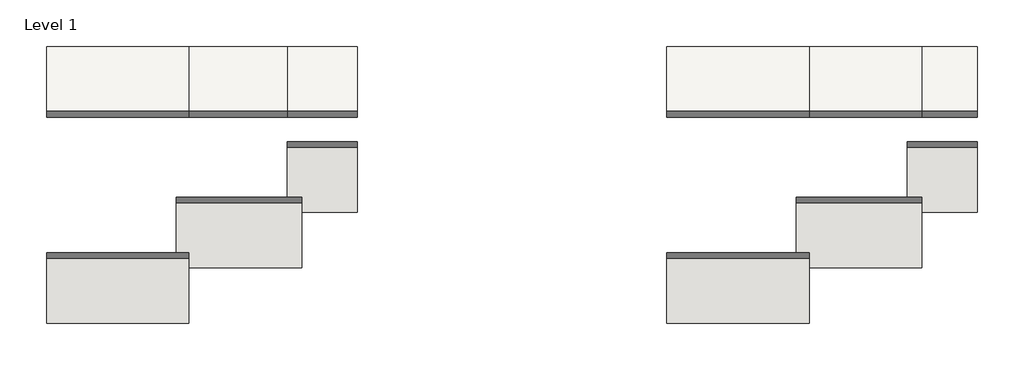
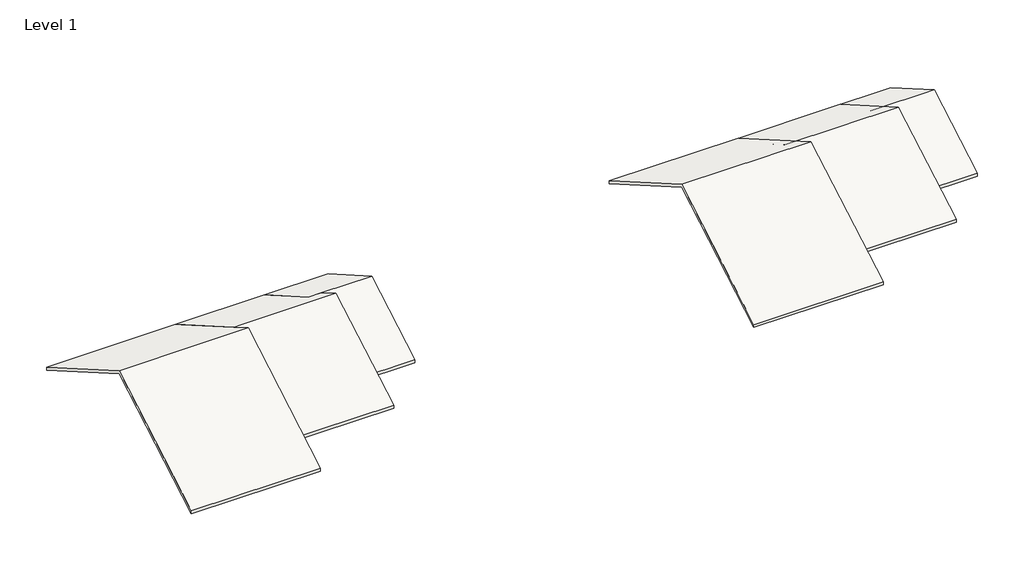
# One storey: 6 roofs.
"""IFC4 building model written with IfcOpenShell, lengths in millimetres."""

from ifc_helpers import new_model, si_unit, frame, origin, place, context, project, spatial, polyline, outline, extrude, faceted_brep, element, save

model = new_model("IFC4")

# Units and contexts
model_context = context("Model", 3, world=origin())
ifc_project = project(units=[si_unit("LENGTHUNIT", "METRE", prefix="MILLI")], contexts=[model_context])

# Site, building, storey
site = spatial("IfcSite", under=ifc_project)
building = spatial("IfcBuilding", under=site)
storey = spatial("IfcBuildingStorey", under=building, Name="Level 1", Elevation=4000.0)

# Roofs
placement = place(None, origin())
element("IfcRoof", 1, ObjectType="Generic - 125mm", at=placement, inside=storey, context=model_context, shape_type="Brep", body=[
    faceted_brep([(-10182.8870425, -7433.1640694, 3664.6936323), (-10182.8870425, -1717.3964044, 6964.6936323), (-10182.8870425, 4023.8213783, 3650.0), (-10182.8870425, 4023.8213783, 3505.6624327), (-10182.8870425, -1717.3964044, 6820.356065), (-10182.8870425, -7433.1640694, 3520.356065), (-4282.8870425, -7433.1640694, 3664.6936323), (-4282.8870425, -7433.1640694, 3520.356065), (-4282.8870425, -1717.3964044, 6820.356065), (-4282.8870425, -692.3964044, 6228.5720391), (-4282.8870425, -567.3964044, 6156.4032554), (-4282.8870425, 4023.8213783, 3505.6624327), (-4282.8870425, 4023.8213783, 3650.0), (-4282.8870425, -567.3964044, 6300.7408227), (-4282.8870425, -1717.3964044, 6964.6936323)], [[[0, 1, 2, 3, 4, 5]], [[6, 7, 8, 9, 10, 11, 12, 13, 14]], [[1, 0, 6, 14]], [[2, 1, 14, 13, 12]], [[3, 2, 12, 11]], [[4, 3, 11, 10, 9, 8]], [[5, 4, 8, 7]], [[0, 5, 7, 6]]]),
])
element("IfcRoof", 2, ObjectType="Generic - 125mm", at=placement, inside=storey, context=model_context, shape_type="Brep", body=[
    faceted_brep([(-4812.8870425, -567.3964044, 6156.4032554), (-4812.8870425, -5133.1640694, 3520.356065), (-4812.8870425, -5133.1640694, 3664.6936323), (-4812.8870425, -692.3964044, 6228.5720391), (387.1129575, -567.3964044, 6300.7408227), (387.1129575, -5133.1640694, 3664.6936323), (387.1129575, -5133.1640694, 3520.356065), (387.1129575, -567.3964044, 6156.4032554), (387.1129575, 457.6035956, 5564.6192295), (387.1129575, 582.6035956, 5636.7880132), (-4282.8870425, -567.3964044, 6300.7408227), (-4282.8870425, -692.3964044, 6228.5720391), (-212.8870425, 582.6035956, 5636.7880132), (-212.8870425, 4023.8213783, 3650.0), (-4282.8870425, 4023.8213783, 3650.0), (-4282.8870425, 4023.8213783, 3505.6624327), (-212.8870425, 4023.8213783, 3505.6624327), (-4282.8870425, -567.3964044, 6156.4032554), (-212.8870425, 582.6035956, 5492.4504459), (-212.8870425, 457.6035956, 5564.6192295)], [[[0, 1, 2, 3]], [[4, 5, 6, 7, 8, 9]], [[5, 4, 10, 11, 3, 2]], [[10, 4, 9, 12, 13, 14]], [[15, 14, 13, 16]], [[7, 17, 15, 16, 18, 19, 8]], [[1, 0, 17, 7, 6]], [[2, 1, 6, 5]], [[17, 11, 10, 14, 15]], [[11, 17, 0, 3]], [[12, 19, 18, 16, 13]], [[19, 12, 9, 8]]]),
])
element("IfcRoof", 3, ObjectType="Generic - 125mm", at=placement, inside=storey, context=model_context, shape_type="Brep", body=[
    faceted_brep([(-212.8870425, -2833.1640694, 3664.6936323), (-212.8870425, 457.6035956, 5564.6192295), (-212.8870425, 582.6035956, 5636.7880132), (-212.8870425, 4023.8213783, 3650.0), (-212.8870425, 4023.8213783, 3505.6624327), (-212.8870425, 582.6035956, 5492.4504459), (-212.8870425, -2833.1640694, 3520.356065), (2687.1129575, -2833.1640694, 3664.6936323), (2687.1129575, -2833.1640694, 3520.356065), (2687.1129575, 582.6035956, 5492.4504459), (2687.1129575, 4023.8213783, 3505.6624327), (2687.1129575, 4023.8213783, 3650.0), (2687.1129575, 582.6035956, 5636.7880132), (387.1129575, 582.6035956, 5636.7880132)], [[[0, 1, 2, 3, 4, 5, 6]], [[7, 8, 9, 10, 11, 12]], [[3, 2, 13, 12, 11]], [[4, 3, 11, 10]], [[5, 4, 10, 9]], [[2, 1, 0, 7, 12, 13]], [[6, 5, 9, 8]], [[0, 6, 8, 7]]]),
])
element("IfcRoof", 4, ObjectType="Generic - 125mm", at=placement, inside=storey, context=model_context, shape_type="SweptSolid", body=[
    extrude(outline(polyline([(-7433.1640694, 3664.6936323), (-1717.3964044, 6964.6936323), (4023.8213783, 3650.0), (4023.8213783, 3505.6624327), (-1717.3964044, 6820.356065), (-7433.1640694, 3520.356065), (-7433.1640694, 3664.6936323)])), frame((15517.1129575, 0.0, 0.0), z_axis=(1.0, 0.0, 0.0), x_axis=(0.0, 1.0, 0.0)), (0.0, 0.0, 1.0), 5900.0),
])
element("IfcRoof", 5, ObjectType="Generic - 125mm", at=placement, inside=storey, context=model_context, shape_type="SweptSolid", body=[
    extrude(outline(polyline([(-5133.1640694, 3664.6936323), (-567.3964044, 6300.7408227), (4023.8213783, 3650.0), (4023.8213783, 3505.6624327), (-567.3964044, 6156.4032554), (-5133.1640694, 3520.356065), (-5133.1640694, 3664.6936323)])), frame((20887.1129575, 0.0, 0.0), z_axis=(1.0, 0.0, 0.0), x_axis=(0.0, 1.0, 0.0)), (0.0, 0.0, 1.0), 5200.0),
])
element("IfcRoof", 6, ObjectType="Generic - 125mm", at=placement, inside=storey, context=model_context, shape_type="SweptSolid", body=[
    extrude(outline(polyline([(-2833.1640694, 3664.6936323), (582.6035956, 5636.7880132), (4023.8213783, 3650.0), (4023.8213783, 3505.6624327), (582.6035956, 5492.4504459), (-2833.1640694, 3520.356065), (-2833.1640694, 3664.6936323)])), frame((25487.1129575, 0.0, 0.0), z_axis=(1.0, 0.0, 0.0), x_axis=(0.0, 1.0, 0.0)), (0.0, 0.0, 1.0), 2900.0),
])

save(model, "model.ifc")
